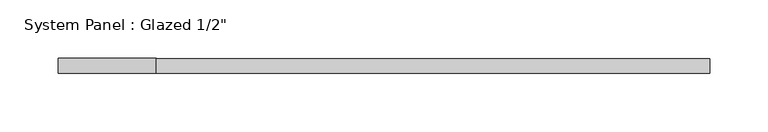
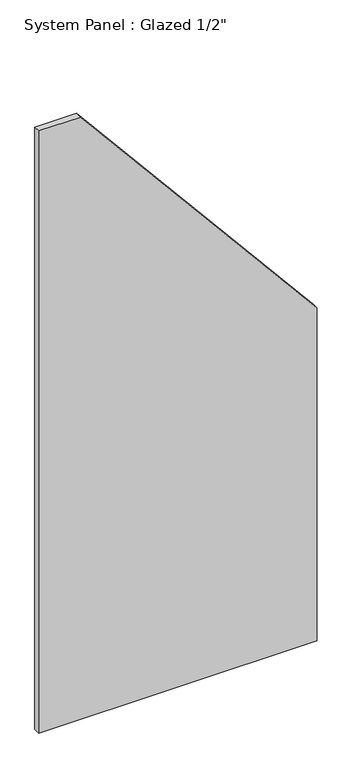
"""IFC4 building model written with IfcOpenShell, lengths in millimetres: plate geometry."""

from ifc_helpers import new_model, si_unit, frame, origin, place, context, project, spatial, polyline, outline, extrude, source, transform, mapped, element, save


def plate_90768467(model_context):
    return source(origin(), model_context, "Body", "SweptSolid", [
        extrude(outline(polyline([(0.0, -278.6206866), (0.0, 278.6206866), (703.189834, 278.6206866), (1272.115036, -194.7536951), (1272.115036, -278.6206866), (0.0, -278.6206866)])), frame((0.0, -6.35, 0.0), z_axis=(0.0, 1.0, 0.0), x_axis=(0.0, 0.0, 1.0)), (0.0, 0.0, 1.0), 12.7),
    ])


if __name__ == "__main__":
    model = new_model("IFC4")
    model_context = context("Model", 3, world=origin())
    ifc_project = project(units=[si_unit("LENGTHUNIT", "METRE", prefix="MILLI")], contexts=[model_context])
    site = spatial("IfcSite", under=ifc_project)
    building = spatial("IfcBuilding", under=site)
    placement = place(None, origin())
    plate_shape = plate_90768467(model_context)
    element("IfcPlate", 1, ObjectType="System Panel : Glazed 1/2\"", at=placement, inside=building, context=model_context, shape_type="MappedRepresentation", body=[
        mapped(plate_shape, transform((0.0, 0.0, 0.0), x_axis=(1.0, 0.0, 0.0), y_axis=(0.0, 1.0, 0.0), z_axis=(0.0, 0.0, 1.0))),
    ])
    save(model, "model.ifc")
